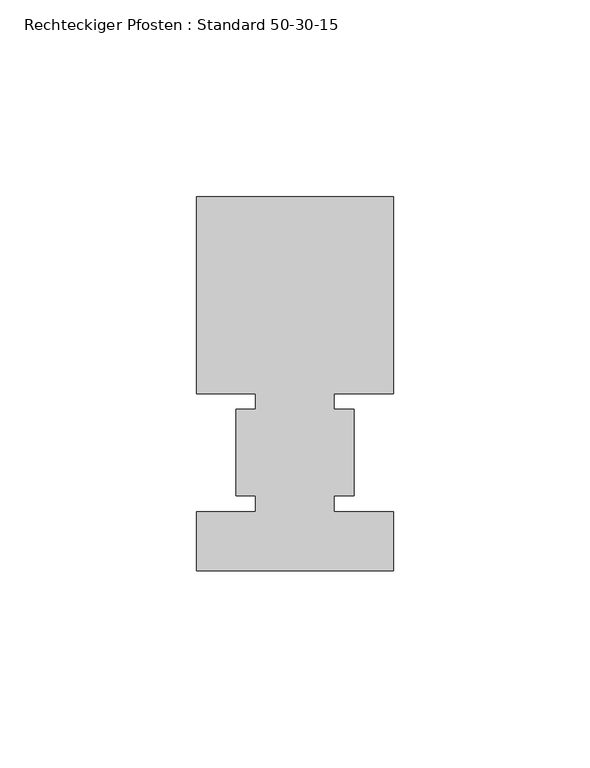
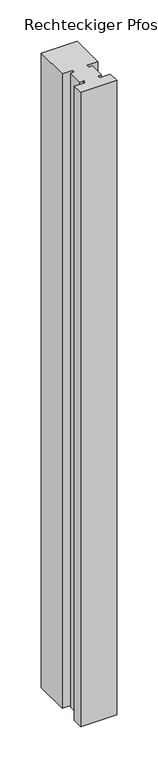
"""IFC4 building model written with IfcOpenShell, lengths in millimetres: member geometry, Rechteckiger Pfosten : Standard 50-30-15."""

from ifc_helpers import new_model, si_unit, frame, origin, place, context, project, spatial, polyline, outline, extrude, source, transform, mapped, element, save


def rechteckiger_pfosten_standard_50_30_15_dd53a83f(model_context):
    return source(origin(), model_context, "Body", "SweptSolid", [
        extrude(outline(polyline([(-25.0, 65.0), (25.0, 65.0), (25.0, 15.0), (10.0, 15.0), (10.0, 11.0), (15.0, 11.0), (15.0, -11.0), (10.0, -11.0), (10.0, -15.0), (25.0, -15.0), (25.0, -30.0), (-25.0, -30.0), (-25.0, -15.0), (-10.0, -15.0), (-10.0, -11.0), (-15.0, -11.0), (-15.0, 11.0), (-10.0, 11.0), (-10.0, 15.0), (-25.0, 15.0), (-25.0, 65.0)])), frame((0.0, 0.0, -935.7142859), z_axis=(0.0, 0.0, 1.0), x_axis=(1.0, 0.0, 0.0)), (0.0, 0.0, 1.0), 935.7142859),
    ])


if __name__ == "__main__":
    model = new_model("IFC4")
    model_context = context("Model", 3, world=origin())
    ifc_project = project(units=[si_unit("LENGTHUNIT", "METRE", prefix="MILLI")], contexts=[model_context])
    site = spatial("IfcSite", under=ifc_project)
    building = spatial("IfcBuilding", under=site)
    placement = place(None, origin())
    rechteckiger_pfosten_standard_50_30_15_shape = rechteckiger_pfosten_standard_50_30_15_dd53a83f(model_context)
    element("IfcMember", 1, ObjectType="Rechteckiger Pfosten : Standard 50-30-15", at=placement, inside=building, context=model_context, shape_type="MappedRepresentation", body=[
        mapped(rechteckiger_pfosten_standard_50_30_15_shape, transform((0.0, 0.0, 0.0), x_axis=(1.0, 0.0, 0.0), y_axis=(0.0, 1.0, 0.0), z_axis=(0.0, 0.0, 1.0))),
    ])
    save(model, "model.ifc")
